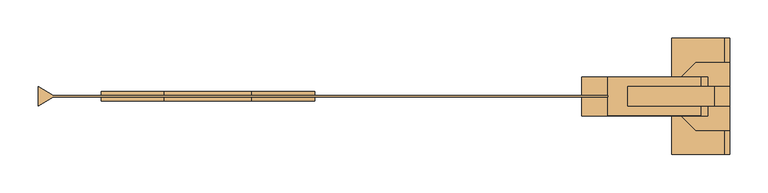
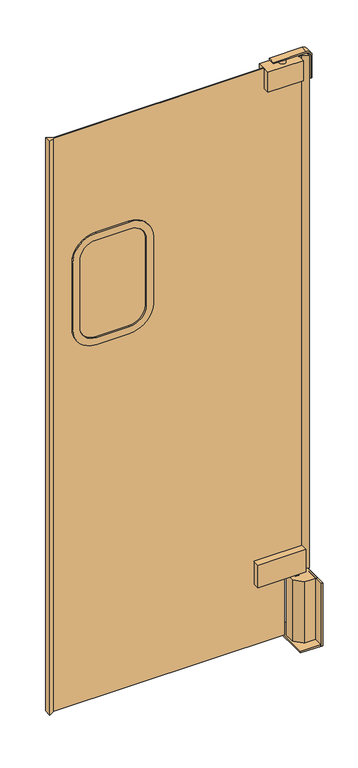
"""IFC4 building model written with IfcOpenShell, lengths in millimetres: door geometry."""

import ifcopenshell
import ifcopenshell.guid

model = None  # the IFC model being written
_history = None  # IfcOwnerHistory: only IFC2X3 demands one
_inside = {}  # id of a spatial element -> (the spatial element, [elements in it])
_under = {}  # id of a project, library or spatial element -> (it, [spatial elements below it])
_declared = {}  # id of a project -> (the project, [libraries it declares])
_typed = {}  # id of a type object -> (the type object, [elements of that type])
_made_of = {}  # id of a material, layer set ... -> (it, [elements and type objects made of it])


def new_model(schema):
    """Start an empty IFC model of exactly this schema.

    Asked for "IFC4X3", IfcOpenShell would pick the latest addendum, in which some entities
    have other attributes; the version numbers below select the first issue.
    IFC2X3 requires an IfcOwnerHistory on every rooted entity: one is made here for all.
    """
    global model, _history
    if schema == "IFC4X3":
        model = ifcopenshell.file(schema_version=(4, 3, 0, 0))
    else:
        model = ifcopenshell.file(schema=schema)
    _inside.clear()
    _under.clear()
    _declared.clear()
    _typed.clear()
    _made_of.clear()
    _history = None
    if model.schema == "IFC2X3":
        org = make("IfcOrganization", Name="unknown")
        user = make(
            "IfcPersonAndOrganization",
            ThePerson=make("IfcPerson", FamilyName="unknown"),
            TheOrganization=org,
        )
        app = make(
            "IfcApplication",
            ApplicationDeveloper=org,
            Version="unknown",
            ApplicationFullName="unknown",
            ApplicationIdentifier="unknown",
        )
        _history = make(
            "IfcOwnerHistory",
            OwningUser=user,
            OwningApplication=app,
            ChangeAction="ADDED",
            CreationDate=0,
        )
    return model


def make(cls, **values):
    """One entity of the class cls with the attributes given. An attribute that is None is left unset."""
    return model.create_entity(
        cls, **{name: value for name, value in values.items() if value is not None}
    )


def rooted(cls, **values):
    """An entity with a GlobalId (a new one), such as an element, a storey or a relation."""
    return make(cls, GlobalId=ifcopenshell.guid.new(), OwnerHistory=_history, **values)


def si_unit(unit_type, name, prefix=None):
    """IfcSIUnit, for example si_unit("LENGTHUNIT", "METRE", prefix="MILLI")."""
    return make("IfcSIUnit", UnitType=unit_type, Prefix=prefix, Name=name)


def assignment(units):
    """IfcUnitAssignment: the units of a project."""
    return None if units is None else make("IfcUnitAssignment", Units=units)


def point(xyz):
    """IfcCartesianPoint."""
    return None if xyz is None else make("IfcCartesianPoint", Coordinates=xyz)


def direction(xyz):
    """IfcDirection."""
    return None if xyz is None else make("IfcDirection", DirectionRatios=xyz)


def frame(location, z_axis=None, x_axis=None):
    """IfcAxis2Placement3D, a coordinate frame: its origin and axes. An axis left out is left unset."""
    return make(
        "IfcAxis2Placement3D",
        Location=point(location),
        Axis=direction(z_axis),
        RefDirection=direction(x_axis),
    )


def frame_2d(location, x_axis=None):
    """IfcAxis2Placement2D, a coordinate frame in the plane: its origin and x axis."""
    return make(
        "IfcAxis2Placement2D", Location=point(location), RefDirection=direction(x_axis)
    )


def origin():
    """The frame at (0, 0, 0) with its axes left unset."""
    return frame((0.0, 0.0, 0.0))


def origin_with_axes():
    """The frame at (0, 0, 0) with the z axis (0, 0, 1) and the x axis (1, 0, 0) written out."""
    return frame((0.0, 0.0, 0.0), z_axis=(0.0, 0.0, 1.0), x_axis=(1.0, 0.0, 0.0))


def place(relative_to, where):
    """IfcLocalPlacement: puts the frame where relative to a parent placement (None: the world)."""
    return make(
        "IfcLocalPlacement", PlacementRelTo=relative_to, RelativePlacement=where
    )


def context(
    kind, dimensions, precision=None, world=None, true_north=None, identifier=None
):
    """IfcGeometricRepresentationContext, for example the 3D "Model" context."""
    return make(
        "IfcGeometricRepresentationContext",
        ContextIdentifier=identifier,
        ContextType=kind,
        CoordinateSpaceDimension=dimensions,
        Precision=precision,
        WorldCoordinateSystem=world,
        TrueNorth=true_north,
    )


def project(units=None, contexts=None):
    """IfcProject with its units and contexts."""
    return rooted(
        "IfcProject",
        Name="project",
        RepresentationContexts=contexts,
        UnitsInContext=assignment(units),
    )


def spatial(cls, under=None, at=None, **own):
    """A site, building, storey or space (cls), placed at a placement, below another one or the project."""
    s = rooted(cls, ObjectPlacement=at, **own)
    if under is not None:
        _under.setdefault(under.id(), (under, []))[1].append(s)
    return s


def polyline(points):
    """IfcPolyline through the points."""
    return make("IfcPolyline", Points=[point(p) for p in points])


def circle_curve(where, radius):
    """IfcCircle in the frame where."""
    return make("IfcCircle", Position=where, Radius=radius)


def trimmed(basis, trim1, trim2, sense, master):
    """IfcTrimmedCurve: the piece of a basis curve between two trims."""
    return make(
        "IfcTrimmedCurve",
        BasisCurve=basis,
        Trim1=trim1,
        Trim2=trim2,
        SenseAgreement=sense,
        MasterRepresentation=master,
    )


def segment(curve, same_sense, transition):
    """IfcCompositeCurveSegment."""
    return make(
        "IfcCompositeCurveSegment",
        Transition=transition,
        SameSense=same_sense,
        ParentCurve=curve,
    )


def composite_curve(segments, self_intersect=None):
    """IfcCompositeCurve: segments joined end to end."""
    return make("IfcCompositeCurve", Segments=segments, SelfIntersect=self_intersect)


def outline(outer, holes=None, kind="AREA"):
    """IfcArbitraryClosedProfileDef: a profile drawn as a closed curve; with holes, ...WithVoids."""
    if holes is None:
        return make("IfcArbitraryClosedProfileDef", ProfileType=kind, OuterCurve=outer)
    return make(
        "IfcArbitraryProfileDefWithVoids",
        ProfileType=kind,
        OuterCurve=outer,
        InnerCurves=holes,
    )


def extrude(swept, where, along, depth):
    """IfcExtrudedAreaSolid: the profile swept, set in the frame where, extruded along a direction by depth."""
    return make(
        "IfcExtrudedAreaSolid",
        SweptArea=swept,
        Position=where,
        ExtrudedDirection=direction(along),
        Depth=depth,
    )


def shape(context_of_items, identifier, shape_type, items):
    """IfcShapeRepresentation: the items that make up one representation, for example the "Body"."""
    return make(
        "IfcShapeRepresentation",
        ContextOfItems=context_of_items,
        RepresentationIdentifier=identifier,
        RepresentationType=shape_type,
        Items=items,
    )


def source(mapping_origin, context_of_items, identifier, shape_type, items):
    """IfcRepresentationMap: a shape defined once, which mapped items show again and again."""
    return make(
        "IfcRepresentationMap",
        MappingOrigin=mapping_origin,
        MappedRepresentation=shape(context_of_items, identifier, shape_type, items),
    )


def transform(
    local_origin,
    x_axis=None,
    y_axis=None,
    z_axis=None,
    scale=None,
    scale2=None,
    scale3=None,
    uniform=True,
):
    """IfcCartesianTransformationOperator3D, or its non-uniform kind. x_axis, y_axis, z_axis: its Axis1, 2, 3."""
    if uniform:
        return make(
            "IfcCartesianTransformationOperator3D",
            Axis1=direction(x_axis),
            Axis2=direction(y_axis),
            LocalOrigin=point(local_origin),
            Scale=scale,
            Axis3=direction(z_axis),
        )
    return make(
        "IfcCartesianTransformationOperator3DnonUniform",
        Axis1=direction(x_axis),
        Axis2=direction(y_axis),
        LocalOrigin=point(local_origin),
        Scale=scale,
        Axis3=direction(z_axis),
        Scale2=scale2,
        Scale3=scale3,
    )


def mapped(mapping_source, mapping_target):
    """IfcMappedItem: shows the shape of a source again, moved by a transform."""
    return make(
        "IfcMappedItem", MappingSource=mapping_source, MappingTarget=mapping_target
    )


def made_of(thing, what):
    """Note that an element or type object is made of a material, layer set ...; save() writes the relation."""
    if what is not None:
        _made_of.setdefault(what.id(), (what, []))[1].append(thing)
    return thing


def element(
    cls,
    number,
    at=None,
    inside=None,
    cuts=None,
    type_object=None,
    material=None,
    context=None,
    identifier="Body",
    shape_type=None,
    held_by="IfcProductDefinitionShape",
    body=None,
    shapes=None,
    **own,
):
    """One element of the class cls, such as IfcWall. Its Tag is "e" and its number.

    at: its placement. inside: the storey or other place that contains it. cuts: it is an
    opening in that element (IfcRelVoidsElement). A single representation is given by context,
    identifier, shape_type and body (its items); several are given by shapes. held_by: the class
    of the entity that holds the representations. save() writes the other relations.
    """
    e = rooted(cls, Tag="e%d" % number, ObjectPlacement=at, **own)
    if body is not None:
        shapes = [shape(context, identifier, shape_type, body)]
    if shapes is not None:
        e.Representation = make(held_by, Representations=shapes)
    if inside is not None:
        _inside.setdefault(inside.id(), (inside, []))[1].append(e)
    if cuts is not None:
        rooted(
            "IfcRelVoidsElement", RelatingBuildingElement=cuts, RelatedOpeningElement=e
        )
    if type_object is not None:
        _typed.setdefault(type_object.id(), (type_object, []))[1].append(e)
    return made_of(e, material)


def aggregate(whole, parts):
    """IfcRelAggregates: a whole, such as a stair, and the parts it consists of."""
    return rooted("IfcRelAggregates", RelatingObject=whole, RelatedObjects=parts)


def save(model, path):
    """Write the relations noted so far, then the file.

    IfcRelAggregates (storeys below a building ...), IfcRelContainedInSpatialStructure (elements
    in a storey), IfcRelDefinesByType, IfcRelAssociatesMaterial and IfcRelDeclares: one each for
    every whole, place, type object, material and project.
    """
    for whole, parts in _under.values():
        aggregate(whole, parts)
    for where, things in _inside.values():
        rooted(
            "IfcRelContainedInSpatialStructure",
            RelatedElements=things,
            RelatingStructure=where,
        )
    for kind, things in _typed.values():
        rooted("IfcRelDefinesByType", RelatedObjects=things, RelatingType=kind)
    for what, things in _made_of.values():
        rooted("IfcRelAssociatesMaterial", RelatedObjects=things, RelatingMaterial=what)
    for by, libraries in _declared.values():
        rooted("IfcRelDeclares", RelatingContext=by, RelatedDefinitions=libraries)
    model.write(path)


def plane_surface(at):
    """IfcPlane: the flat surface through the origin of the frame at, square to its z axis."""
    return make("IfcPlane", Position=at)


def cylinder_surface(at, radius):
    """IfcCylindricalSurface: all points at the distance radius from the z axis of the frame at."""
    return make("IfcCylindricalSurface", Position=at, Radius=radius)


def revolved_surface(curve, axis_point, axis_direction):
    """IfcSurfaceOfRevolution: the curve turned about the line through axis_point along axis_direction."""
    return make(
        "IfcSurfaceOfRevolution",
        SweptCurve=make("IfcArbitraryOpenProfileDef", ProfileType="CURVE", Curve=curve),
        AxisPosition=make("IfcAxis1Placement", Location=point(axis_point), Axis=direction(axis_direction)),
    )


def advanced_brep(points, edges, surfaces, faces):
    """IfcAdvancedBrep: a solid bounded by faces that lie on surfaces and meet in shared edges.

    An edge is (start, end): straight between two places in points (the first is 0);
    or (start, end, curve); or (start, end, curve, False) where it runs against its curve.
    A face is (place in surfaces, loops), or (place, loops, False) where it looks against
    its surface's normal. A loop lists edges by number (the first is 1), with a minus sign
    where the edge is run from its end to its start. The first loop is the outer one.
    """
    corners = [point(p) for p in points]
    vertices = [make("IfcVertexPoint", VertexGeometry=c) for c in corners]
    made = []
    for start, end, *more in edges:
        made.append(
            make(
                "IfcEdgeCurve",
                EdgeStart=vertices[start],
                EdgeEnd=vertices[end],
                EdgeGeometry=more[0] if more else make("IfcPolyline", Points=[corners[start], corners[end]]),
                SameSense=more[1] if len(more) > 1 else True,
            )
        )
    hull = []
    for where, loops, *sense in faces:
        bounds = []
        for j, loop in enumerate(loops):
            ring = [make("IfcOrientedEdge", EdgeElement=made[abs(k) - 1], Orientation=k > 0) for k in loop]
            bounds.append(
                make(
                    "IfcFaceOuterBound" if j == 0 else "IfcFaceBound",
                    Bound=make("IfcEdgeLoop", EdgeList=ring),
                    Orientation=True,
                )
            )
        hull.append(make("IfcAdvancedFace", Bounds=bounds, FaceSurface=surfaces[where], SameSense=sense[0] if sense else True))
    return make("IfcAdvancedBrep", Outer=make("IfcClosedShell", CfsFaces=hull))


def door_71b5abfa(model_context):
    return source(origin(), model_context, "Body", "SolidModel", [
        extrude(outline(composite_curve([segment(trimmed(circle_curve(frame_2d((1397.0, -155.575)), 82.55), [point((1314.45, -155.575))], [point((1397.0, -73.025))], False, "CARTESIAN"), True, "CONTINUOUS"), segment(polyline([(1397.0, -73.025), (1638.3, -73.025)]), True, "CONTINUOUS"), segment(trimmed(circle_curve(frame_2d((1638.3, -155.575)), 82.55), [point((1638.3, -73.025))], [point((1720.85, -155.575))], False, "CARTESIAN"), True, "CONTINUOUS"), segment(polyline([(1720.85, -155.575), (1720.85, -269.875)]), True, "CONTINUOUS"), segment(trimmed(circle_curve(frame_2d((1638.3, -269.875)), 82.55), [point((1720.85, -269.875))], [point((1638.3, -352.425))], False, "CARTESIAN"), True, "CONTINUOUS"), segment(polyline([(1638.3, -352.425), (1397.0, -352.425)]), True, "CONTINUOUS"), segment(trimmed(circle_curve(frame_2d((1397.0, -269.875)), 82.55), [point((1397.0, -352.425))], [point((1314.45, -269.875))], False, "CARTESIAN"), True, "CONTINUOUS"), segment(polyline([(1314.45, -269.875), (1314.45, -155.575)]), True, "CONTINUOUS")], self_intersect=False), holes=[composite_curve([segment(trimmed(circle_curve(frame_2d((1397.0, -155.575)), 57.15), [point((1397.0, -98.425))], [point((1339.85, -155.575))], True, "CARTESIAN"), True, "CONTINUOUS"), segment(polyline([(1339.85, -155.575), (1339.85, -269.875)]), True, "CONTINUOUS"), segment(trimmed(circle_curve(frame_2d((1397.0, -269.875)), 57.15), [point((1339.85, -269.875))], [point((1397.0, -327.025))], True, "CARTESIAN"), True, "CONTINUOUS"), segment(polyline([(1397.0, -327.025), (1638.3, -327.025)]), True, "CONTINUOUS"), segment(trimmed(circle_curve(frame_2d((1638.3, -269.875)), 57.15), [point((1638.3, -327.025))], [point((1695.45, -269.875))], True, "CARTESIAN"), True, "CONTINUOUS"), segment(polyline([(1695.45, -269.875), (1695.45, -155.575)]), True, "CONTINUOUS"), segment(trimmed(circle_curve(frame_2d((1638.3, -155.575)), 57.15), [point((1695.45, -155.575))], [point((1638.3, -98.425))], True, "CARTESIAN"), True, "CONTINUOUS"), segment(polyline([(1638.3, -98.425), (1397.0, -98.425)]), True, "CONTINUOUS")], self_intersect=False)]), frame((0.0, -15.8310058, 0.0), z_axis=(0.0, 1.0, 0.0), x_axis=(0.0, 0.0, 1.0)), (0.0, 0.0, 1.0), 11.90625),
        extrude(outline(composite_curve([segment(trimmed(circle_curve(frame_2d((1638.3, -155.575)), 57.15), [point((1638.3, -98.425))], [point((1695.45, -155.575))], False, "CARTESIAN"), True, "CONTINUOUS"), segment(polyline([(1695.45, -155.575), (1695.45, -269.875)]), True, "CONTINUOUS"), segment(trimmed(circle_curve(frame_2d((1638.3, -269.875)), 57.15), [point((1695.45, -269.875))], [point((1638.3, -327.025))], False, "CARTESIAN"), True, "CONTINUOUS"), segment(polyline([(1638.3, -327.025), (1397.0, -327.025)]), True, "CONTINUOUS"), segment(trimmed(circle_curve(frame_2d((1397.0, -269.875)), 57.15), [point((1397.0, -327.025))], [point((1339.85, -269.875))], False, "CARTESIAN"), True, "CONTINUOUS"), segment(polyline([(1339.85, -269.875), (1339.85, -155.575)]), True, "CONTINUOUS"), segment(trimmed(circle_curve(frame_2d((1397.0, -155.575)), 57.15), [point((1339.85, -155.575))], [point((1397.0, -98.425))], False, "CARTESIAN"), True, "CONTINUOUS"), segment(polyline([(1397.0, -98.425), (1638.3, -98.425)]), True, "CONTINUOUS")], self_intersect=False)), frame((0.0, -11.0685058, 0.0), z_axis=(0.0, 1.0, 0.0), x_axis=(0.0, 0.0, 1.0)), (0.0, 0.0, 1.0), 2.38125),
        extrude(outline(polyline([(441.325, -35.2778808), (276.225, -35.2778808), (276.225, 15.5221192), (441.325, 15.5221192), (441.325, -35.2778808)])), frame((0.0, 0.0, 247.65), z_axis=(0.0, 0.0, 1.0), x_axis=(1.0, 0.0, 0.0)), (0.0, 0.0, 1.0), 82.55),
        extrude(outline(polyline([(428.625, -16.2278808), (415.925, -16.2278808), (415.925, -3.5278808), (428.625, -3.5278808), (428.625, -16.2278808)])), frame((0.0, 0.0, 228.6), z_axis=(0.0, 0.0, 1.0), x_axis=(1.0, 0.0, 0.0)), (0.0, 0.0, 1.0), 19.05),
        extrude(outline(polyline([(469.9, 34.5721192), (469.9, -54.3278808), (425.45, -54.3278808), (398.5092316, -27.3871124), (398.5092316, 7.6313509), (425.45, 34.5721192), (469.9, 34.5721192)])), origin_with_axes(), (0.0, 0.0, 1.0), 228.6),
        extrude(outline(polyline([(463.55, 66.3221192), (469.9, 66.3221192), (469.9, -86.0778808), (463.55, -86.0778808), (463.55, 66.3221192)])), origin_with_axes(), (0.0, 0.0, 1.0), 228.6),
        extrude(outline(polyline([(469.9, 66.3221192), (469.9, -86.0778808), (393.7, -86.0778808), (393.7, 66.3221192), (469.9, 66.3221192)])), origin_with_axes(), (0.0, 0.0, 1.0), 6.35),
        advanced_brep(
        [(310.4611073, -8.6872558, 2114.55), (310.4611073, -8.6872558, 2042.0984652), (431.7148798, -8.6872558, 2042.0984652), (431.7148798, -8.6872558, 2114.55), (440.4401777, -8.6872558, 2114.55), (440.4401777, -8.6872558, 247.65), (381.0, -8.6872558, 247.65), (381.0, -8.6872558, 25.4), (-415.0401777, -8.6872558, 25.4), (-415.0401777, -8.6872558, 2114.55), (-155.575, -8.6872558, 1333.5), (-92.075, -8.6872558, 1397.0), (-92.075, -8.6872558, 1638.3), (-155.575, -8.6872558, 1701.8), (-269.875, -8.6872558, 1701.8), (-333.375, -8.6872558, 1638.3), (-333.375, -8.6872558, 1397.0), (-269.875, -8.6872558, 1333.5), (310.4611073, -11.0685058, 2042.0984652), (310.4611073, -11.0685058, 2114.55), (-415.0401777, -11.0685058, 2114.55), (-415.0401777, -11.0685058, 25.4), (381.0, -11.0685058, 25.4), (381.0, -11.0685058, 247.65), (440.4401777, -11.0685058, 247.65), (440.4401777, -11.0685058, 2114.55), (431.7148798, -11.0685058, 2114.55), (431.7148798, -11.0685058, 2042.0984652), (-92.075, -11.0685058, 1397.0), (-155.575, -11.0685058, 1333.5), (-269.875, -11.0685058, 1333.5), (-333.375, -11.0685058, 1397.0), (-333.375, -11.0685058, 1638.3), (-269.875, -11.0685058, 1701.8), (-155.575, -11.0685058, 1701.8), (-92.075, -11.0685058, 1638.3), (-434.975, 2.8221192, 2114.55), (-434.975, -22.5778808, 2114.55), (460.375, -22.5778808, 2114.55), (460.375, 2.8221192, 2114.55), (460.375, -22.5778808, 247.65), (460.375, 2.8221192, 247.65), (-434.975, 2.8221192, 25.4), (-434.975, -22.5778808, 25.4)],
        [
            (0, 1),
            (1, 2),
            (2, 3),
            (3, 4),
            (4, 5),
            (5, 6),
            (6, 7),
            (7, 8),
            (8, 9),
            (9, 0),
            (10, 11, circle_curve(frame((-155.575, -8.6872558, 1397.0), z_axis=(0.0, -1.0, 0.0), x_axis=(-1.0, 0.0, 0.0)), 63.5)),
            (11, 12),
            (12, 13, circle_curve(frame((-155.575, -8.6872558, 1638.3), z_axis=(0.0, -1.0, 0.0), x_axis=(-1.0, 0.0, 0.0)), 63.5)),
            (13, 14),
            (14, 15, circle_curve(frame((-269.875, -8.6872558, 1638.3), z_axis=(0.0, -1.0, 0.0), x_axis=(-1.0, 0.0, 0.0)), 63.5)),
            (15, 16),
            (16, 17, circle_curve(frame((-269.875, -8.6872558, 1397.0), z_axis=(0.0, -1.0, 0.0), x_axis=(-1.0, 0.0, 0.0)), 63.5)),
            (17, 10),
            (18, 19),
            (19, 20),
            (20, 21),
            (21, 22),
            (22, 23),
            (23, 24),
            (24, 25),
            (25, 26),
            (26, 27),
            (27, 18),
            (28, 29, circle_curve(frame((-155.575, -11.0685058, 1397.0), z_axis=(0.0, 1.0, 0.0), x_axis=(-1.0, 0.0, 0.0)), 63.5)),
            (29, 30),
            (30, 31, circle_curve(frame((-269.875, -11.0685058, 1397.0), z_axis=(0.0, 1.0, 0.0), x_axis=(-1.0, 0.0, 0.0)), 63.5)),
            (31, 32),
            (32, 33, circle_curve(frame((-269.875, -11.0685058, 1638.3), z_axis=(0.0, 1.0, 0.0), x_axis=(-1.0, 0.0, 0.0)), 63.5)),
            (33, 34),
            (34, 35, circle_curve(frame((-155.575, -11.0685058, 1638.3), z_axis=(0.0, 1.0, 0.0), x_axis=(-1.0, 0.0, 0.0)), 63.5)),
            (35, 28),
            (0, 19),
            (18, 1),
            (27, 2),
            (26, 3),
            (9, 36),
            (36, 37),
            (37, 20),
            (25, 38),
            (38, 39),
            (39, 4),
            (38, 40),
            (40, 41),
            (41, 39),
            (42, 8),
            (7, 22),
            (21, 43),
            (43, 42),
            (36, 42),
            (43, 37),
            (10, 29),
            (28, 11),
            (35, 12),
            (34, 13),
            (33, 14),
            (32, 15),
            (31, 16),
            (30, 17),
            (41, 5),
            (24, 40),
            (23, 6),
        ],
        [
            plane_surface(frame((310.4611073, -8.6872558, 2042.0984652), z_axis=(0.0, 1.0, 0.0), x_axis=(0.0, 0.0, -1.0))),
            plane_surface(frame((310.4611073, -11.0685058, 2042.0984652), z_axis=(0.0, -1.0, 0.0), x_axis=(0.0, 0.0, 1.0))),
            plane_surface(frame((310.4611073, -8.6872558, 2114.55), z_axis=(1.0, 0.0, 0.0), x_axis=(0.0, -1.0, 0.0))),
            plane_surface(frame((310.4611073, -8.6872558, 2042.0984652), z_axis=(0.0, 0.0, 1.0), x_axis=(0.0, -1.0, 0.0))),
            plane_surface(frame((431.7148798, -8.6872558, 2042.0984652), z_axis=(-1.0, 0.0, 0.0), x_axis=(0.0, -1.0, 0.0))),
            plane_surface(frame((431.7148798, -8.6872558, 2114.55), z_axis=(0.0, 0.0, 1.0), x_axis=(0.0, -1.0, 0.0))),
            plane_surface(frame((460.375, -8.6872558, 2114.55), z_axis=(1.0, 0.0, 0.0), x_axis=(0.0, -1.0, 0.0))),
            plane_surface(frame((460.375, -8.6872558, 25.4), z_axis=(0.0, 0.0, -1.0), x_axis=(0.0, -1.0, 0.0))),
            plane_surface(frame((-434.975, -8.6872558, 25.4), z_axis=(-1.0, 0.0, 0.0), x_axis=(0.0, -1.0, 0.0))),
            revolved_surface(polyline([(-219.075, -11.068505799999997, 1397.0), (-219.075, -8.687255800000003, 1397.0)]), (-155.575, 242.9314942, 1397.0), (0.0, -1.0, 0.0)),
            plane_surface(frame((-92.075, -61.8685058, 1397.0), z_axis=(-1.0, 0.0, 0.0), x_axis=(0.0, 1.0, 0.0))),
            revolved_surface(polyline([(-219.075, -11.068505799999997, 1638.3), (-219.075, -8.687255800000003, 1638.3)]), (-155.575, 242.9314942, 1638.3), (0.0, -1.0, 0.0)),
            plane_surface(frame((-155.575, -61.8685058, 1701.8), z_axis=(0.0, 0.0, -1.0), x_axis=(0.0, 1.0, 0.0))),
            revolved_surface(polyline([(-333.375, -11.068505799999997, 1638.3), (-333.375, -8.687255800000003, 1638.3)]), (-269.875, 242.9314942, 1638.3), (0.0, -1.0, 0.0)),
            plane_surface(frame((-333.375, -61.8685058, 1638.3), z_axis=(1.0, 0.0, 0.0), x_axis=(0.0, 1.0, 0.0))),
            revolved_surface(polyline([(-333.375, -11.068505799999997, 1397.0), (-333.375, -8.687255800000003, 1397.0)]), (-269.875, 242.9314942, 1397.0), (0.0, -1.0, 0.0)),
            plane_surface(frame((-269.875, -61.8685058, 1333.5), z_axis=(0.0, 0.0, 1.0), x_axis=(0.0, 1.0, 0.0))),
            plane_surface(frame((-434.975, -22.5778808, 2114.55), z_axis=(0.4999999999999966, -0.8660254037844407, 0.0), x_axis=(0.0, 0.0, -1.0))),
            plane_surface(frame((-414.3527701, -9.0841308, 2114.55), z_axis=(0.4999999999999976, 0.86602540378444, 0.0), x_axis=(0.0, 0.0, -1.0))),
            plane_surface(frame((460.375, 2.8221192, 2114.55), z_axis=(-0.5000000000000046, 0.866025403784436, 0.0), x_axis=(0.0, 0.0, -1.0))),
            plane_surface(frame((439.7527701, -10.6716308, 2114.55), z_axis=(-0.49999999999999706, -0.8660254037844404, 0.0), x_axis=(0.0, 0.0, -1.0))),
            plane_surface(frame((381.0, 15.5221192, 247.65), z_axis=(0.0, 0.0, -1.0), x_axis=(0.0, -1.0, 0.0))),
            plane_surface(frame((381.0, 15.5221192, 0.0), z_axis=(1.0, 0.0, 0.0), x_axis=(0.0, -1.0, 0.0))),
        ],
        [
            (0, [[1, 2, 3, 4, 5, 6, 7, 8, 9, 10], [11, 12, 13, 14, 15, 16, 17, 18]]),
            (1, [[19, 20, 21, 22, 23, 24, 25, 26, 27, 28], [29, 30, 31, 32, 33, 34, 35, 36]]),
            (2, [[-1, 37, -19, 38]]),
            (3, [[-2, -38, -28, 39]]),
            (4, [[-3, -39, -27, 40]]),
            (5, [[-37, -10, 41, 42, 43, -20]]),
            (5, [[-40, -26, 44, 45, 46, -4]]),
            (6, [[-45, 47, 48, 49]]),
            (7, [[50, -8, 51, -22, 52, 53]]),
            (8, [[54, -53, 55, -42]]),
            (9, [[-11, 56, -29, 57]]),
            (10, [[-12, -57, -36, 58]]),
            (11, [[-13, -58, -35, 59]]),
            (12, [[-14, -59, -34, 60]]),
            (13, [[-15, -60, -33, 61]]),
            (14, [[-16, -61, -32, 62]]),
            (15, [[-17, -62, -31, 63]]),
            (16, [[-18, -63, -30, -56]]),
            (17, [[-55, -52, -21, -43]]),
            (18, [[-54, -41, -9, -50]]),
            (19, [[-46, -49, 64, -5]]),
            (20, [[-44, -25, 65, -47]]),
            (21, [[66, -6, -64, -48, -65, -24]]),
            (22, [[-66, -23, -51, -7]]),
        ],
    ),
        advanced_brep(
        [(374.65, -9.8778808, 2114.55), (385.7625, -9.8778808, 2114.55), (363.5375, -9.8778808, 2114.55), (363.5375, -9.8778808, 2128.8375), (385.7625, -9.8778808, 2128.8375), (374.65, -9.8778808, 2128.8375)],
        [
            (0, 1),
            (1, 2, circle_curve(frame((374.65, -9.8778808, 2114.55), z_axis=(0.0, 0.0, -1.0), x_axis=(1.0, 0.0, 0.0)), 11.1125)),
            (2, 0),
            (2, 1, circle_curve(frame((374.65, -9.8778808, 2114.55), z_axis=(0.0, 0.0, -1.0), x_axis=(1.0, 0.0, 0.0)), 11.1125)),
            (3, 4, circle_curve(frame((374.65, -9.8778808, 2128.8375), z_axis=(0.0, 0.0, 1.0), x_axis=(1.0, 0.0, 0.0)), 11.1125)),
            (4, 5),
            (5, 3),
            (4, 3, circle_curve(frame((374.65, -9.8778808, 2128.8375), z_axis=(0.0, 0.0, 1.0), x_axis=(1.0, 0.0, 0.0)), 11.1125)),
            (1, 4),
            (3, 2),
        ],
        [
            plane_surface(frame((374.65, -9.8778808, 2114.55), z_axis=(0.0, 0.0, -1.0), x_axis=(1.0, 0.0, 0.0))),
            plane_surface(frame((374.65, -9.8778808, 2128.8375), z_axis=(0.0, 0.0, 1.0), x_axis=(1.0, 0.0, 0.0))),
            cylinder_surface(frame((374.65, -9.8778808, -41.502018), z_axis=(0.0, 0.0, -1.0), x_axis=(1.0, 0.0, 0.0)), 11.1125),
        ],
        [
            (0, [[1, 2, 3]]),
            (0, [[-3, 4, -1]]),
            (1, [[5, 6, 7]]),
            (1, [[8, -7, -6]]),
            (2, [[-2, 9, -5, 10]]),
            (2, [[-4, -10, -8, -9]]),
        ],
    ),
        extrude(outline(polyline([(310.4611073, 15.5221192), (431.7148798, 15.5221192), (431.7148798, -35.2778808), (310.4611073, -35.2778808), (310.4611073, 15.5221192)])), frame((0.0, 0.0, 2042.0984652), z_axis=(0.0, 0.0, 1.0), x_axis=(1.0, 0.0, 0.0)), (0.0, 0.0, 1.0), 72.4515348),
        extrude(outline(composite_curve([segment(polyline([(2133.6, 336.55), (2128.8375, 336.55), (2128.8375, 449.2625)]), True, "CONTINUOUS"), segment(trimmed(circle_curve(frame_2d((2112.9625, 449.2625)), 15.875), [point((2128.8375, 449.2625))], [point((2112.9625, 465.1375))], True, "CARTESIAN"), True, "CONTINUOUS"), segment(polyline([(2112.9625, 465.1375), (2032.0, 465.1375), (2032.0, 469.9), (2112.9625, 469.9)]), True, "CONTINUOUS"), segment(trimmed(circle_curve(frame_2d((2112.9625, 449.2625)), 20.6375), [point((2112.9625, 469.9))], [point((2133.6, 449.2625))], False, "CARTESIAN"), True, "CONTINUOUS"), segment(polyline([(2133.6, 449.2625), (2133.6, 336.55)]), True, "CONTINUOUS")], self_intersect=False)), frame((0.0, -22.5778808, 0.0), z_axis=(0.0, 1.0, 0.0), x_axis=(0.0, 0.0, 1.0)), (0.0, 0.0, 1.0), 25.4),
    ])


if __name__ == "__main__":
    model = new_model("IFC4")
    model_context = context("Model", 3, world=origin())
    ifc_project = project(units=[si_unit("LENGTHUNIT", "METRE", prefix="MILLI")], contexts=[model_context])
    site = spatial("IfcSite", under=ifc_project)
    building = spatial("IfcBuilding", under=site)
    placement = place(None, origin())
    door_shape = door_71b5abfa(model_context)
    element("IfcDoor", 1, at=placement, inside=building, context=model_context, shape_type="MappedRepresentation", body=[
        mapped(door_shape, transform((0.0, 0.0, 0.0), x_axis=(1.0, 0.0, 0.0), y_axis=(0.0, 1.0, 0.0), z_axis=(0.0, 0.0, 1.0))),
    ])
    save(model, "model.ifc")
